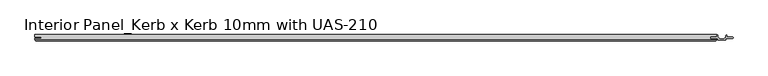
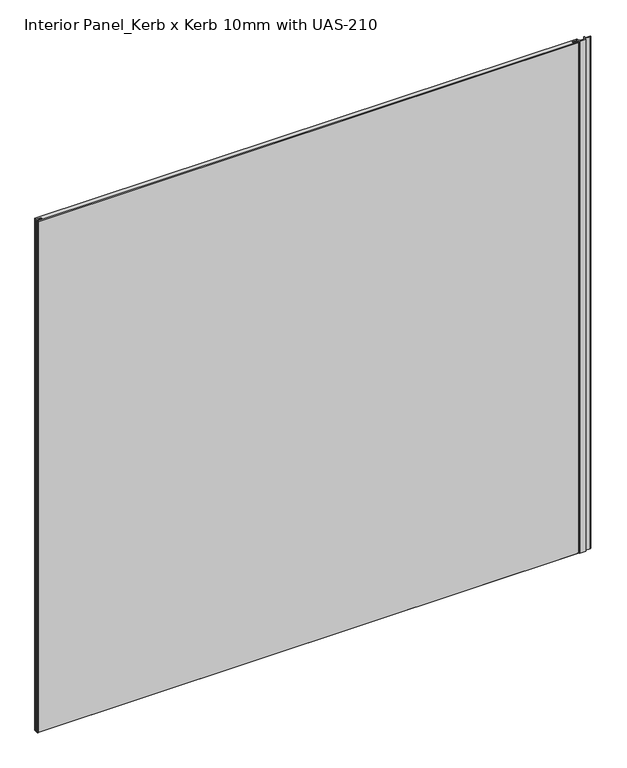
"""IFC4 building model written with IfcOpenShell, lengths in millimetres: proxy geometry, Interior Panel_Kerb x Kerb 10mm with UAS-210."""

from ifc_helpers import new_model, si_unit, point, frame_2d, origin, origin_with_axes, place, context, project, spatial, polyline, circle_curve, trimmed, segment, composite_curve, outline, extrude, faceted_brep, source, transform, mapped, element, save


def interior_panel_kerb_x_kerb_10mm_with_uas_210_b52ab50a(model_context):
    return source(origin(), model_context, "Body", "SolidModel", [
        extrude(outline(composite_curve([segment(trimmed(circle_curve(frame_2d((1005.68125, 1.6462921)), 0.79375), [point((1004.8875, 1.6462921))], [point((1006.475, 1.6462921))], False, "CARTESIAN"), True, "CONTINUOUS"), segment(polyline([(1006.475, 1.6462921), (1006.475, -0.5207), (1015.1999, -0.5207)]), True, "CONTINUOUS"), segment(trimmed(circle_curve(frame_2d((1014.870929, -1.5875)), 1.116371), [point((1015.1999, -0.5207))], [point((1015.1999, -2.6543))], False, "CARTESIAN"), True, "CONTINUOUS"), segment(polyline([(1015.1999, -2.6543), (1004.8875, -2.6543), (1004.8875, -4.7770647)]), True, "CONTINUOUS"), segment(trimmed(circle_curve(frame_2d((1004.2827795, -4.7770647)), 0.6047205), [point((1004.8875, -4.7770647))], [point((1004.2827795, -5.3817852))], False, "CARTESIAN"), True, "CONTINUOUS"), segment(polyline([(1004.2827795, -5.3817852), (992.7922205, -5.3817852)]), True, "CONTINUOUS"), segment(trimmed(circle_curve(frame_2d((992.7922205, -4.7770647)), 0.6047205), [point((992.7922205, -5.3817852))], [point((992.1875, -4.7770647))], False, "CARTESIAN"), True, "CONTINUOUS"), segment(polyline([(992.1875, -4.7770647), (992.1875, -2.6543), (981.8751, -2.6543)]), True, "CONTINUOUS"), segment(trimmed(circle_curve(frame_2d((982.204071, -1.5875)), 1.116371), [point((981.8751, -2.6543))], [point((981.8751, -0.5207))], False, "CARTESIAN"), True, "CONTINUOUS"), segment(polyline([(981.8751, -0.5207), (990.6, -0.5207), (990.6, 1.6462921)]), True, "CONTINUOUS"), segment(trimmed(circle_curve(frame_2d((991.39375, 1.6462921)), 0.79375), [point((990.6, 1.6462921))], [point((992.1875, 1.6462921))], False, "CARTESIAN"), True, "CONTINUOUS"), segment(polyline([(992.1875, 1.6462921), (992.1875, 0.3263323)]), True, "CONTINUOUS"), segment(trimmed(circle_curve(frame_2d((998.5375, 3.1587975)), 6.9530827), [point((992.1875, 0.3263323))], [point((1004.8875, 0.3263323))], True, "CARTESIAN"), True, "CONTINUOUS"), segment(polyline([(1004.8875, 0.3263323), (1004.8875, 1.6462921)]), True, "CONTINUOUS")], self_intersect=False)), origin_with_axes(), (0.0, 0.0, 1.0), 1063.625),
        faceted_brep([(990.6, 3.175, 1063.625), (-73.025, 3.175, 1063.625), (-73.025, -0.5207, 1063.625), (-63.2023437, -0.5207, 1063.625), (-63.2023437, -2.6543, 1063.625), (-73.025, -2.6543, 1063.625), (-73.025, -4.7625, 1063.625), (990.6, -4.7625, 1063.625), (990.6, -2.6543, 1063.625), (980.7773438, -2.6543, 1063.625), (980.7773438, -0.5207, 1063.625), (990.6, -0.5207, 1063.625), (990.6, 3.175, 0.0), (990.6, -0.5207, 0.0), (980.7773438, -0.5207, 0.0), (980.7773438, -2.6543, 0.0), (990.6, -2.6543, 0.0), (990.6, -4.7625, 0.0), (-73.025, -4.7625, 0.0), (-73.025, -2.6543, 0.0), (-63.2023437, -2.6543, 0.0), (-63.2023437, -0.5207, 0.0), (-73.025, -0.5207, 0.0), (-73.025, 3.175, 0.0), (-71.4375, -6.35, 1062.0375), (-71.4375, -6.35, 1.5875), (989.0125, -6.35, 1.5875), (989.0125, -6.35, 1062.0375)], [[[0, 1, 2, 3, 4, 5, 6, 7, 8, 9, 10, 11]], [[12, 13, 14, 15, 16, 17, 18, 19, 20, 21, 22, 23]], [[1, 0, 12, 23]], [[6, 5, 19, 18]], [[24, 25, 26, 27]], [[8, 7, 17, 16]], [[6, 18, 25, 24]], [[17, 7, 27, 26]], [[7, 6, 24, 27]], [[18, 17, 26, 25]], [[9, 8, 16, 15]], [[10, 9, 15, 14]], [[11, 10, 14, 13]], [[0, 11, 13, 12]], [[2, 1, 23, 22]], [[3, 2, 22, 21]], [[4, 3, 21, 20]], [[5, 4, 20, 19]]]),
    ])


if __name__ == "__main__":
    model = new_model("IFC4")
    model_context = context("Model", 3, world=origin())
    ifc_project = project(units=[si_unit("LENGTHUNIT", "METRE", prefix="MILLI")], contexts=[model_context])
    site = spatial("IfcSite", under=ifc_project)
    building = spatial("IfcBuilding", under=site)
    placement = place(None, origin())
    interior_panel_kerb_x_kerb_10mm_with_uas_210_shape = interior_panel_kerb_x_kerb_10mm_with_uas_210_b52ab50a(model_context)
    element("IfcBuildingElementProxy", 1, Name="Interior Panel_Kerb x Kerb 10mm with UAS-210", ObjectType="Interior Panel_Kerb x Kerb 10mm with UAS-210", at=placement, inside=building, context=model_context, shape_type="MappedRepresentation", body=[
        mapped(interior_panel_kerb_x_kerb_10mm_with_uas_210_shape, transform((0.0, 0.0, 0.0), x_axis=(1.0, 0.0, 0.0), y_axis=(0.0, 1.0, 0.0), z_axis=(0.0, 0.0, 1.0))),
    ])
    save(model, "model.ifc")
